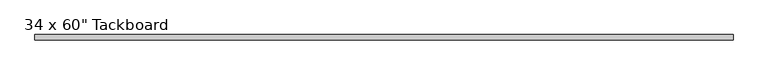
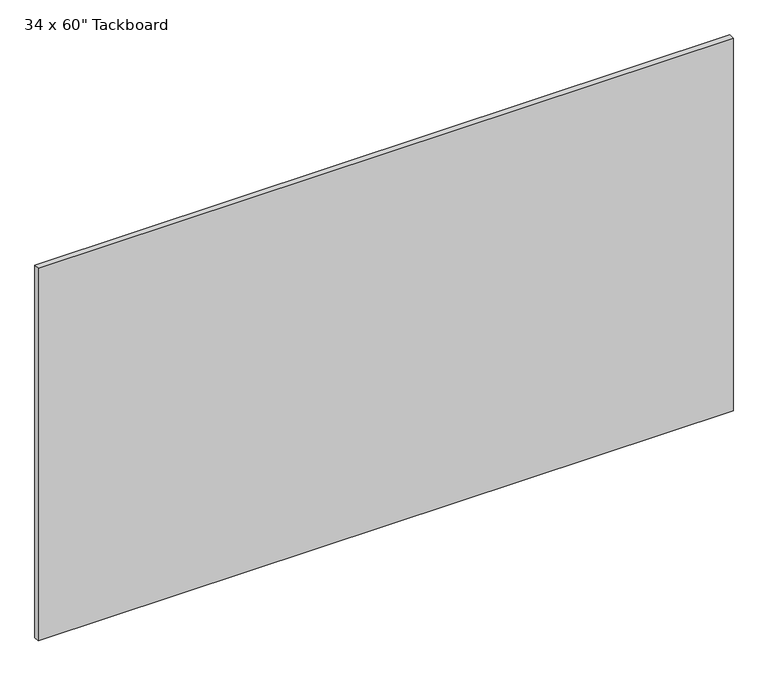
"""IFC4 building model written with IfcOpenShell, lengths in millimetres: furniture geometry."""

import ifcopenshell
import ifcopenshell.guid

model = None  # the IFC model being written
_history = None  # IfcOwnerHistory: only IFC2X3 demands one
_inside = {}  # id of a spatial element -> (the spatial element, [elements in it])
_under = {}  # id of a project, library or spatial element -> (it, [spatial elements below it])
_declared = {}  # id of a project -> (the project, [libraries it declares])
_typed = {}  # id of a type object -> (the type object, [elements of that type])
_made_of = {}  # id of a material, layer set ... -> (it, [elements and type objects made of it])


def new_model(schema):
    """Start an empty IFC model of exactly this schema.

    Asked for "IFC4X3", IfcOpenShell would pick the latest addendum, in which some entities
    have other attributes; the version numbers below select the first issue.
    IFC2X3 requires an IfcOwnerHistory on every rooted entity: one is made here for all.
    """
    global model, _history
    if schema == "IFC4X3":
        model = ifcopenshell.file(schema_version=(4, 3, 0, 0))
    else:
        model = ifcopenshell.file(schema=schema)
    _inside.clear()
    _under.clear()
    _declared.clear()
    _typed.clear()
    _made_of.clear()
    _history = None
    if model.schema == "IFC2X3":
        org = make("IfcOrganization", Name="unknown")
        user = make(
            "IfcPersonAndOrganization",
            ThePerson=make("IfcPerson", FamilyName="unknown"),
            TheOrganization=org,
        )
        app = make(
            "IfcApplication",
            ApplicationDeveloper=org,
            Version="unknown",
            ApplicationFullName="unknown",
            ApplicationIdentifier="unknown",
        )
        _history = make(
            "IfcOwnerHistory",
            OwningUser=user,
            OwningApplication=app,
            ChangeAction="ADDED",
            CreationDate=0,
        )
    return model


def make(cls, **values):
    """One entity of the class cls with the attributes given. An attribute that is None is left unset."""
    return model.create_entity(
        cls, **{name: value for name, value in values.items() if value is not None}
    )


def rooted(cls, **values):
    """An entity with a GlobalId (a new one), such as an element, a storey or a relation."""
    return make(cls, GlobalId=ifcopenshell.guid.new(), OwnerHistory=_history, **values)


def si_unit(unit_type, name, prefix=None):
    """IfcSIUnit, for example si_unit("LENGTHUNIT", "METRE", prefix="MILLI")."""
    return make("IfcSIUnit", UnitType=unit_type, Prefix=prefix, Name=name)


def assignment(units):
    """IfcUnitAssignment: the units of a project."""
    return None if units is None else make("IfcUnitAssignment", Units=units)


def point(xyz):
    """IfcCartesianPoint."""
    return None if xyz is None else make("IfcCartesianPoint", Coordinates=xyz)


def direction(xyz):
    """IfcDirection."""
    return None if xyz is None else make("IfcDirection", DirectionRatios=xyz)


def frame(location, z_axis=None, x_axis=None):
    """IfcAxis2Placement3D, a coordinate frame: its origin and axes. An axis left out is left unset."""
    return make(
        "IfcAxis2Placement3D",
        Location=point(location),
        Axis=direction(z_axis),
        RefDirection=direction(x_axis),
    )


def origin():
    """The frame at (0, 0, 0) with its axes left unset."""
    return frame((0.0, 0.0, 0.0))


def place(relative_to, where):
    """IfcLocalPlacement: puts the frame where relative to a parent placement (None: the world)."""
    return make(
        "IfcLocalPlacement", PlacementRelTo=relative_to, RelativePlacement=where
    )


def context(
    kind, dimensions, precision=None, world=None, true_north=None, identifier=None
):
    """IfcGeometricRepresentationContext, for example the 3D "Model" context."""
    return make(
        "IfcGeometricRepresentationContext",
        ContextIdentifier=identifier,
        ContextType=kind,
        CoordinateSpaceDimension=dimensions,
        Precision=precision,
        WorldCoordinateSystem=world,
        TrueNorth=true_north,
    )


def project(units=None, contexts=None):
    """IfcProject with its units and contexts."""
    return rooted(
        "IfcProject",
        Name="project",
        RepresentationContexts=contexts,
        UnitsInContext=assignment(units),
    )


def spatial(cls, under=None, at=None, **own):
    """A site, building, storey or space (cls), placed at a placement, below another one or the project."""
    s = rooted(cls, ObjectPlacement=at, **own)
    if under is not None:
        _under.setdefault(under.id(), (under, []))[1].append(s)
    return s


def polyline(points):
    """IfcPolyline through the points."""
    return make("IfcPolyline", Points=[point(p) for p in points])


def outline(outer, holes=None, kind="AREA"):
    """IfcArbitraryClosedProfileDef: a profile drawn as a closed curve; with holes, ...WithVoids."""
    if holes is None:
        return make("IfcArbitraryClosedProfileDef", ProfileType=kind, OuterCurve=outer)
    return make(
        "IfcArbitraryProfileDefWithVoids",
        ProfileType=kind,
        OuterCurve=outer,
        InnerCurves=holes,
    )


def extrude(swept, where, along, depth):
    """IfcExtrudedAreaSolid: the profile swept, set in the frame where, extruded along a direction by depth."""
    return make(
        "IfcExtrudedAreaSolid",
        SweptArea=swept,
        Position=where,
        ExtrudedDirection=direction(along),
        Depth=depth,
    )


def shape(context_of_items, identifier, shape_type, items):
    """IfcShapeRepresentation: the items that make up one representation, for example the "Body"."""
    return make(
        "IfcShapeRepresentation",
        ContextOfItems=context_of_items,
        RepresentationIdentifier=identifier,
        RepresentationType=shape_type,
        Items=items,
    )


def source(mapping_origin, context_of_items, identifier, shape_type, items):
    """IfcRepresentationMap: a shape defined once, which mapped items show again and again."""
    return make(
        "IfcRepresentationMap",
        MappingOrigin=mapping_origin,
        MappedRepresentation=shape(context_of_items, identifier, shape_type, items),
    )


def transform(
    local_origin,
    x_axis=None,
    y_axis=None,
    z_axis=None,
    scale=None,
    scale2=None,
    scale3=None,
    uniform=True,
):
    """IfcCartesianTransformationOperator3D, or its non-uniform kind. x_axis, y_axis, z_axis: its Axis1, 2, 3."""
    if uniform:
        return make(
            "IfcCartesianTransformationOperator3D",
            Axis1=direction(x_axis),
            Axis2=direction(y_axis),
            LocalOrigin=point(local_origin),
            Scale=scale,
            Axis3=direction(z_axis),
        )
    return make(
        "IfcCartesianTransformationOperator3DnonUniform",
        Axis1=direction(x_axis),
        Axis2=direction(y_axis),
        LocalOrigin=point(local_origin),
        Scale=scale,
        Axis3=direction(z_axis),
        Scale2=scale2,
        Scale3=scale3,
    )


def mapped(mapping_source, mapping_target):
    """IfcMappedItem: shows the shape of a source again, moved by a transform."""
    return make(
        "IfcMappedItem", MappingSource=mapping_source, MappingTarget=mapping_target
    )


def made_of(thing, what):
    """Note that an element or type object is made of a material, layer set ...; save() writes the relation."""
    if what is not None:
        _made_of.setdefault(what.id(), (what, []))[1].append(thing)
    return thing


def element(
    cls,
    number,
    at=None,
    inside=None,
    cuts=None,
    type_object=None,
    material=None,
    context=None,
    identifier="Body",
    shape_type=None,
    held_by="IfcProductDefinitionShape",
    body=None,
    shapes=None,
    **own,
):
    """One element of the class cls, such as IfcWall. Its Tag is "e" and its number.

    at: its placement. inside: the storey or other place that contains it. cuts: it is an
    opening in that element (IfcRelVoidsElement). A single representation is given by context,
    identifier, shape_type and body (its items); several are given by shapes. held_by: the class
    of the entity that holds the representations. save() writes the other relations.
    """
    e = rooted(cls, Tag="e%d" % number, ObjectPlacement=at, **own)
    if body is not None:
        shapes = [shape(context, identifier, shape_type, body)]
    if shapes is not None:
        e.Representation = make(held_by, Representations=shapes)
    if inside is not None:
        _inside.setdefault(inside.id(), (inside, []))[1].append(e)
    if cuts is not None:
        rooted(
            "IfcRelVoidsElement", RelatingBuildingElement=cuts, RelatedOpeningElement=e
        )
    if type_object is not None:
        _typed.setdefault(type_object.id(), (type_object, []))[1].append(e)
    return made_of(e, material)


def aggregate(whole, parts):
    """IfcRelAggregates: a whole, such as a stair, and the parts it consists of."""
    return rooted("IfcRelAggregates", RelatingObject=whole, RelatedObjects=parts)


def save(model, path):
    """Write the relations noted so far, then the file.

    IfcRelAggregates (storeys below a building ...), IfcRelContainedInSpatialStructure (elements
    in a storey), IfcRelDefinesByType, IfcRelAssociatesMaterial and IfcRelDeclares: one each for
    every whole, place, type object, material and project.
    """
    for whole, parts in _under.values():
        aggregate(whole, parts)
    for where, things in _inside.values():
        rooted(
            "IfcRelContainedInSpatialStructure",
            RelatedElements=things,
            RelatingStructure=where,
        )
    for kind, things in _typed.values():
        rooted("IfcRelDefinesByType", RelatedObjects=things, RelatingType=kind)
    for what, things in _made_of.values():
        rooted("IfcRelAssociatesMaterial", RelatedObjects=things, RelatingMaterial=what)
    for by, libraries in _declared.values():
        rooted("IfcRelDeclares", RelatingContext=by, RelatedDefinitions=libraries)
    model.write(path)


def furniture_343231ab(model_context):
    return source(origin(), model_context, "Body", "SweptSolid", [
        extrude(outline(polyline([(927.1, 0.0), (927.1, -11.90625), (-596.9, -11.90625), (-596.9, 0.0), (927.1, 0.0)])), frame((0.0, 0.0, 762.0), z_axis=(0.0, 0.0, 1.0), x_axis=(1.0, 0.0, 0.0)), (0.0, 0.0, 1.0), 863.6),
    ])


if __name__ == "__main__":
    model = new_model("IFC4")
    model_context = context("Model", 3, world=origin())
    ifc_project = project(units=[si_unit("LENGTHUNIT", "METRE", prefix="MILLI")], contexts=[model_context])
    site = spatial("IfcSite", under=ifc_project)
    building = spatial("IfcBuilding", under=site)
    placement = place(None, origin())
    furniture_shape = furniture_343231ab(model_context)
    element("IfcFurniture", 1, ObjectType="34 x 60\" Tackboard", at=placement, inside=building, context=model_context, shape_type="MappedRepresentation", body=[
        mapped(furniture_shape, transform((0.0, 0.0, 0.0), x_axis=(1.0, 0.0, 0.0), y_axis=(0.0, 1.0, 0.0), z_axis=(0.0, 0.0, 1.0))),
    ])
    save(model, "model.ifc")
